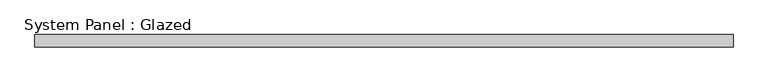
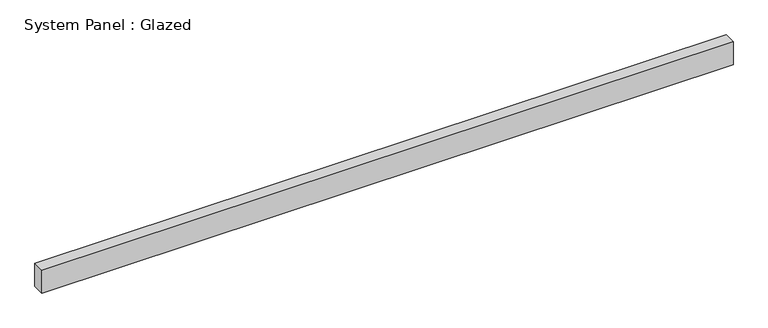
"""IFC4 building model written with IfcOpenShell, lengths in millimetres: plate geometry, System Panel : Glazed."""

import ifcopenshell
import ifcopenshell.guid

model = None  # the IFC model being written
_history = None  # IfcOwnerHistory: only IFC2X3 demands one
_inside = {}  # id of a spatial element -> (the spatial element, [elements in it])
_under = {}  # id of a project, library or spatial element -> (it, [spatial elements below it])
_declared = {}  # id of a project -> (the project, [libraries it declares])
_typed = {}  # id of a type object -> (the type object, [elements of that type])
_made_of = {}  # id of a material, layer set ... -> (it, [elements and type objects made of it])


def new_model(schema):
    """Start an empty IFC model of exactly this schema.

    Asked for "IFC4X3", IfcOpenShell would pick the latest addendum, in which some entities
    have other attributes; the version numbers below select the first issue.
    IFC2X3 requires an IfcOwnerHistory on every rooted entity: one is made here for all.
    """
    global model, _history
    if schema == "IFC4X3":
        model = ifcopenshell.file(schema_version=(4, 3, 0, 0))
    else:
        model = ifcopenshell.file(schema=schema)
    _inside.clear()
    _under.clear()
    _declared.clear()
    _typed.clear()
    _made_of.clear()
    _history = None
    if model.schema == "IFC2X3":
        org = make("IfcOrganization", Name="unknown")
        user = make(
            "IfcPersonAndOrganization",
            ThePerson=make("IfcPerson", FamilyName="unknown"),
            TheOrganization=org,
        )
        app = make(
            "IfcApplication",
            ApplicationDeveloper=org,
            Version="unknown",
            ApplicationFullName="unknown",
            ApplicationIdentifier="unknown",
        )
        _history = make(
            "IfcOwnerHistory",
            OwningUser=user,
            OwningApplication=app,
            ChangeAction="ADDED",
            CreationDate=0,
        )
    return model


def make(cls, **values):
    """One entity of the class cls with the attributes given. An attribute that is None is left unset."""
    return model.create_entity(
        cls, **{name: value for name, value in values.items() if value is not None}
    )


def rooted(cls, **values):
    """An entity with a GlobalId (a new one), such as an element, a storey or a relation."""
    return make(cls, GlobalId=ifcopenshell.guid.new(), OwnerHistory=_history, **values)


def si_unit(unit_type, name, prefix=None):
    """IfcSIUnit, for example si_unit("LENGTHUNIT", "METRE", prefix="MILLI")."""
    return make("IfcSIUnit", UnitType=unit_type, Prefix=prefix, Name=name)


def assignment(units):
    """IfcUnitAssignment: the units of a project."""
    return None if units is None else make("IfcUnitAssignment", Units=units)


def point(xyz):
    """IfcCartesianPoint."""
    return None if xyz is None else make("IfcCartesianPoint", Coordinates=xyz)


def direction(xyz):
    """IfcDirection."""
    return None if xyz is None else make("IfcDirection", DirectionRatios=xyz)


def frame(location, z_axis=None, x_axis=None):
    """IfcAxis2Placement3D, a coordinate frame: its origin and axes. An axis left out is left unset."""
    return make(
        "IfcAxis2Placement3D",
        Location=point(location),
        Axis=direction(z_axis),
        RefDirection=direction(x_axis),
    )


def origin():
    """The frame at (0, 0, 0) with its axes left unset."""
    return frame((0.0, 0.0, 0.0))


def origin_with_axes():
    """The frame at (0, 0, 0) with the z axis (0, 0, 1) and the x axis (1, 0, 0) written out."""
    return frame((0.0, 0.0, 0.0), z_axis=(0.0, 0.0, 1.0), x_axis=(1.0, 0.0, 0.0))


def place(relative_to, where):
    """IfcLocalPlacement: puts the frame where relative to a parent placement (None: the world)."""
    return make(
        "IfcLocalPlacement", PlacementRelTo=relative_to, RelativePlacement=where
    )


def context(
    kind, dimensions, precision=None, world=None, true_north=None, identifier=None
):
    """IfcGeometricRepresentationContext, for example the 3D "Model" context."""
    return make(
        "IfcGeometricRepresentationContext",
        ContextIdentifier=identifier,
        ContextType=kind,
        CoordinateSpaceDimension=dimensions,
        Precision=precision,
        WorldCoordinateSystem=world,
        TrueNorth=true_north,
    )


def project(units=None, contexts=None):
    """IfcProject with its units and contexts."""
    return rooted(
        "IfcProject",
        Name="project",
        RepresentationContexts=contexts,
        UnitsInContext=assignment(units),
    )


def spatial(cls, under=None, at=None, **own):
    """A site, building, storey or space (cls), placed at a placement, below another one or the project."""
    s = rooted(cls, ObjectPlacement=at, **own)
    if under is not None:
        _under.setdefault(under.id(), (under, []))[1].append(s)
    return s


def polyline(points):
    """IfcPolyline through the points."""
    return make("IfcPolyline", Points=[point(p) for p in points])


def outline(outer, holes=None, kind="AREA"):
    """IfcArbitraryClosedProfileDef: a profile drawn as a closed curve; with holes, ...WithVoids."""
    if holes is None:
        return make("IfcArbitraryClosedProfileDef", ProfileType=kind, OuterCurve=outer)
    return make(
        "IfcArbitraryProfileDefWithVoids",
        ProfileType=kind,
        OuterCurve=outer,
        InnerCurves=holes,
    )


def extrude(swept, where, along, depth):
    """IfcExtrudedAreaSolid: the profile swept, set in the frame where, extruded along a direction by depth."""
    return make(
        "IfcExtrudedAreaSolid",
        SweptArea=swept,
        Position=where,
        ExtrudedDirection=direction(along),
        Depth=depth,
    )


def shape(context_of_items, identifier, shape_type, items):
    """IfcShapeRepresentation: the items that make up one representation, for example the "Body"."""
    return make(
        "IfcShapeRepresentation",
        ContextOfItems=context_of_items,
        RepresentationIdentifier=identifier,
        RepresentationType=shape_type,
        Items=items,
    )


def source(mapping_origin, context_of_items, identifier, shape_type, items):
    """IfcRepresentationMap: a shape defined once, which mapped items show again and again."""
    return make(
        "IfcRepresentationMap",
        MappingOrigin=mapping_origin,
        MappedRepresentation=shape(context_of_items, identifier, shape_type, items),
    )


def transform(
    local_origin,
    x_axis=None,
    y_axis=None,
    z_axis=None,
    scale=None,
    scale2=None,
    scale3=None,
    uniform=True,
):
    """IfcCartesianTransformationOperator3D, or its non-uniform kind. x_axis, y_axis, z_axis: its Axis1, 2, 3."""
    if uniform:
        return make(
            "IfcCartesianTransformationOperator3D",
            Axis1=direction(x_axis),
            Axis2=direction(y_axis),
            LocalOrigin=point(local_origin),
            Scale=scale,
            Axis3=direction(z_axis),
        )
    return make(
        "IfcCartesianTransformationOperator3DnonUniform",
        Axis1=direction(x_axis),
        Axis2=direction(y_axis),
        LocalOrigin=point(local_origin),
        Scale=scale,
        Axis3=direction(z_axis),
        Scale2=scale2,
        Scale3=scale3,
    )


def mapped(mapping_source, mapping_target):
    """IfcMappedItem: shows the shape of a source again, moved by a transform."""
    return make(
        "IfcMappedItem", MappingSource=mapping_source, MappingTarget=mapping_target
    )


def made_of(thing, what):
    """Note that an element or type object is made of a material, layer set ...; save() writes the relation."""
    if what is not None:
        _made_of.setdefault(what.id(), (what, []))[1].append(thing)
    return thing


def element(
    cls,
    number,
    at=None,
    inside=None,
    cuts=None,
    type_object=None,
    material=None,
    context=None,
    identifier="Body",
    shape_type=None,
    held_by="IfcProductDefinitionShape",
    body=None,
    shapes=None,
    **own,
):
    """One element of the class cls, such as IfcWall. Its Tag is "e" and its number.

    at: its placement. inside: the storey or other place that contains it. cuts: it is an
    opening in that element (IfcRelVoidsElement). A single representation is given by context,
    identifier, shape_type and body (its items); several are given by shapes. held_by: the class
    of the entity that holds the representations. save() writes the other relations.
    """
    e = rooted(cls, Tag="e%d" % number, ObjectPlacement=at, **own)
    if body is not None:
        shapes = [shape(context, identifier, shape_type, body)]
    if shapes is not None:
        e.Representation = make(held_by, Representations=shapes)
    if inside is not None:
        _inside.setdefault(inside.id(), (inside, []))[1].append(e)
    if cuts is not None:
        rooted(
            "IfcRelVoidsElement", RelatingBuildingElement=cuts, RelatedOpeningElement=e
        )
    if type_object is not None:
        _typed.setdefault(type_object.id(), (type_object, []))[1].append(e)
    return made_of(e, material)


def aggregate(whole, parts):
    """IfcRelAggregates: a whole, such as a stair, and the parts it consists of."""
    return rooted("IfcRelAggregates", RelatingObject=whole, RelatedObjects=parts)


def save(model, path):
    """Write the relations noted so far, then the file.

    IfcRelAggregates (storeys below a building ...), IfcRelContainedInSpatialStructure (elements
    in a storey), IfcRelDefinesByType, IfcRelAssociatesMaterial and IfcRelDeclares: one each for
    every whole, place, type object, material and project.
    """
    for whole, parts in _under.values():
        aggregate(whole, parts)
    for where, things in _inside.values():
        rooted(
            "IfcRelContainedInSpatialStructure",
            RelatedElements=things,
            RelatingStructure=where,
        )
    for kind, things in _typed.values():
        rooted("IfcRelDefinesByType", RelatedObjects=things, RelatingType=kind)
    for what, things in _made_of.values():
        rooted("IfcRelAssociatesMaterial", RelatedObjects=things, RelatingMaterial=what)
    for by, libraries in _declared.values():
        rooted("IfcRelDeclares", RelatingContext=by, RelatedDefinitions=libraries)
    model.write(path)


def system_panel_glazed_11b977cc(model_context):
    return source(origin(), model_context, "Body", "SweptSolid", [
        extrude(outline(polyline([(718.25, 19.05), (-718.25, 19.05), (-718.25, 44.45), (718.25, 44.45), (718.25, 19.05)])), origin_with_axes(), (0.0, 0.0, 1.0), 50.0),
    ])


if __name__ == "__main__":
    model = new_model("IFC4")
    model_context = context("Model", 3, world=origin())
    ifc_project = project(units=[si_unit("LENGTHUNIT", "METRE", prefix="MILLI")], contexts=[model_context])
    site = spatial("IfcSite", under=ifc_project)
    building = spatial("IfcBuilding", under=site)
    placement = place(None, origin())
    system_panel_glazed_shape = system_panel_glazed_11b977cc(model_context)
    element("IfcPlate", 1, ObjectType="System Panel : Glazed", at=placement, inside=building, context=model_context, shape_type="MappedRepresentation", body=[
        mapped(system_panel_glazed_shape, transform((0.0, 0.0, 0.0), x_axis=(1.0, 0.0, 0.0), y_axis=(0.0, 1.0, 0.0), z_axis=(0.0, 0.0, 1.0))),
    ])
    save(model, "model.ifc")
